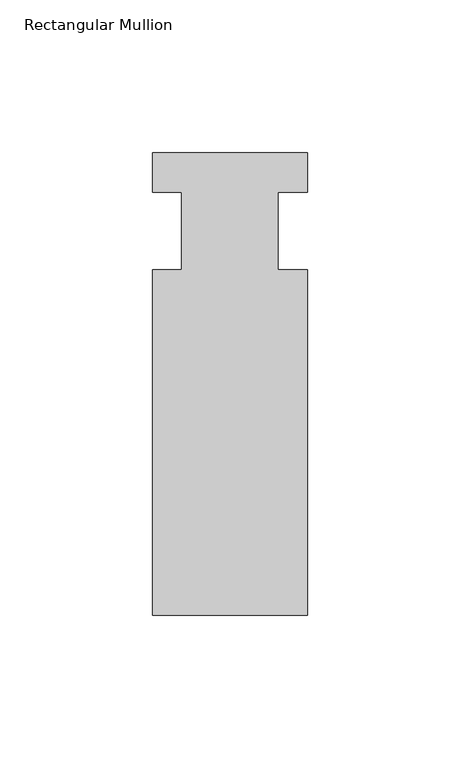
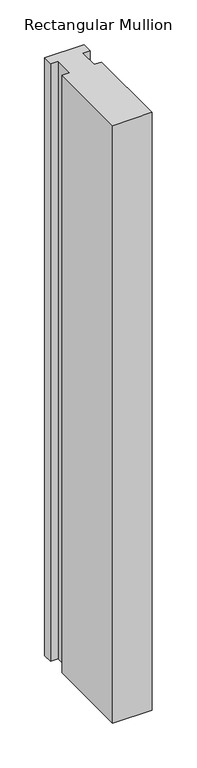
"""IFC4 building model written with IfcOpenShell, lengths in millimetres: member geometry, Rectangular Mullion."""

from ifc_helpers import new_model, si_unit, frame, origin, place, context, project, spatial, polyline, outline, extrude, source, transform, mapped, element, save


def rectangular_mullion_32f26724(model_context):
    return source(origin(), model_context, "Body", "SweptSolid", [
        extrude(outline(polyline([(-25.4, 25.796875), (25.4, 25.796875), (25.4, 12.7), (15.875, 12.7), (15.875, -12.7), (25.4, -12.7), (25.4, -125.809375), (-25.4, -125.809375), (-25.4, -12.7), (-15.875, -12.7), (-15.875, 12.7), (-25.4, 12.7), (-25.4, 25.796875)])), frame((0.0, 0.0, -812.8), z_axis=(0.0, 0.0, 1.0), x_axis=(1.0, 0.0, 0.0)), (0.0, 0.0, 1.0), 812.8),
    ])


if __name__ == "__main__":
    model = new_model("IFC4")
    model_context = context("Model", 3, world=origin())
    ifc_project = project(units=[si_unit("LENGTHUNIT", "METRE", prefix="MILLI")], contexts=[model_context])
    site = spatial("IfcSite", under=ifc_project)
    building = spatial("IfcBuilding", under=site)
    placement = place(None, origin())
    rectangular_mullion_shape = rectangular_mullion_32f26724(model_context)
    element("IfcMember", 1, ObjectType="Rectangular Mullion", at=placement, inside=building, context=model_context, shape_type="MappedRepresentation", body=[
        mapped(rectangular_mullion_shape, transform((0.0, 0.0, 0.0), x_axis=(1.0, 0.0, 0.0), y_axis=(0.0, 1.0, 0.0), z_axis=(0.0, 0.0, 1.0))),
    ])
    save(model, "model.ifc")
